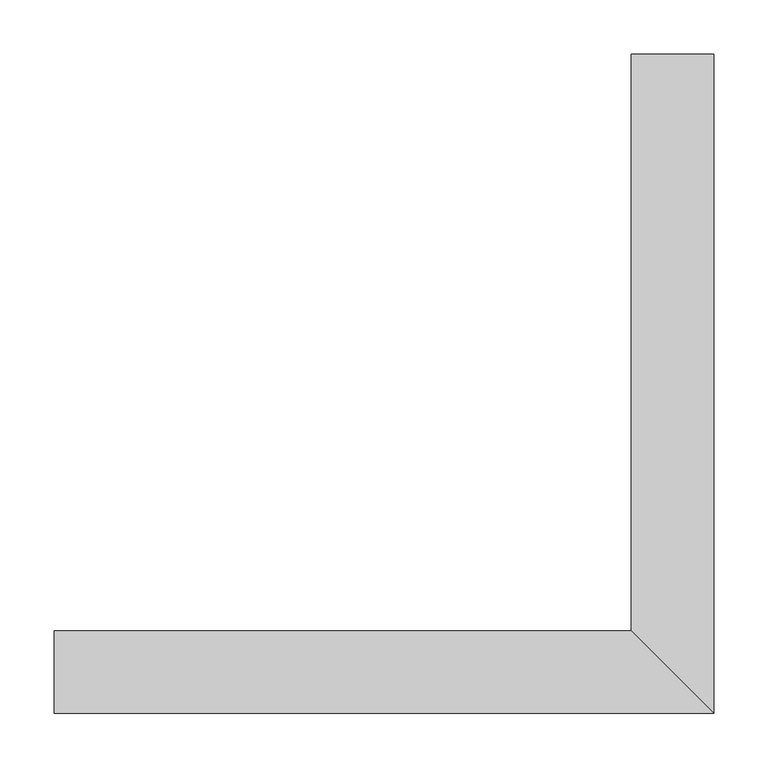
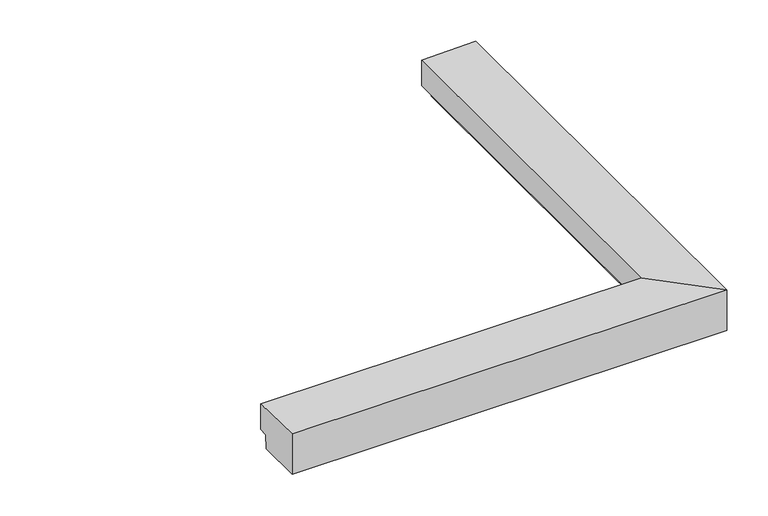
"""IFC4 building model written with IfcOpenShell, lengths in millimetres: proxy geometry."""

from ifc_helpers import new_model, si_unit, origin, place, context, project, spatial, faceted_brep, source, transform, mapped, element, save


def generic_models_c454ebd9(model_context):
    return source(origin(), model_context, "Body", "Brep", [
        faceted_brep([(63.5, 546.1, 0.0), (63.5, 546.1, 60.0300759), (63.5, -63.5, 60.0300759), (63.5, -63.5, 0.0), (-546.1, -63.5, 0.0), (-546.1, -63.5, 60.0300759), (-546.1, 12.7, 58.7), (-546.1, 12.7, 20.6), (-546.1, 0.0, 20.6), (-546.1, -1.0796003, 0.0), (1.0796003, -1.0796003, 0.0), (1.0796003, 546.1, 0.0), (0.0, 0.0, 20.6), (-12.7, 12.7, 20.6), (-12.7, 546.1, 20.6), (0.0, 546.1, 20.6), (-12.7, 12.7, 58.7), (-12.7, 546.1, 58.7)], [[[0, 1, 2, 3]], [[4, 5, 6, 7, 8, 9]], [[0, 3, 4, 9, 10, 11]], [[9, 8, 12, 10]], [[8, 7, 13, 14, 15, 12]], [[7, 6, 16, 13]], [[6, 5, 2, 16]], [[4, 3, 2, 5]], [[0, 11, 15, 14, 17, 1]], [[12, 15, 11, 10]], [[17, 14, 13, 16]], [[1, 17, 16, 2]]]),
    ])


if __name__ == "__main__":
    model = new_model("IFC4")
    model_context = context("Model", 3, world=origin())
    ifc_project = project(units=[si_unit("LENGTHUNIT", "METRE", prefix="MILLI")], contexts=[model_context])
    site = spatial("IfcSite", under=ifc_project)
    building = spatial("IfcBuilding", under=site)
    placement = place(None, origin())
    generic_models_shape = generic_models_c454ebd9(model_context)
    element("IfcBuildingElementProxy", 1, Name="Generic Models", at=placement, inside=building, context=model_context, shape_type="MappedRepresentation", body=[
        mapped(generic_models_shape, transform((0.0, 0.0, 0.0), x_axis=(1.0, 0.0, 0.0), y_axis=(0.0, 1.0, 0.0), z_axis=(0.0, 0.0, 1.0))),
    ])
    save(model, "model.ifc")
